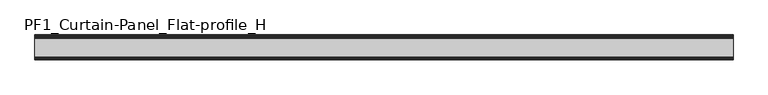
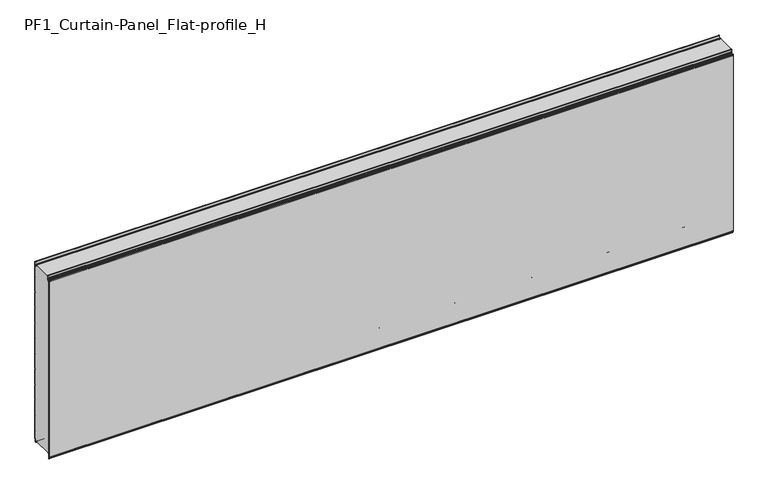
"""IFC4 building model written with IfcOpenShell, lengths in millimetres: plate geometry, PF1_Curtain-Panel_Flat-profile_H."""

from ifc_helpers import new_model, si_unit, point, frame, frame_2d, origin, place, context, project, spatial, polyline, circle_curve, trimmed, segment, composite_curve, outline, extrude, source, transform, mapped, element, save


def pf1_curtain_panel_flat_profile_h_aee8d039(model_context):
    return source(origin(), model_context, "Body", "SweptSolid", [
        extrude(outline(composite_curve([segment(polyline([(-15.878557, 0.0), (-20.0, 0.0), (-20.0, 0.8), (-15.878557, 0.8)]), True, "CONTINUOUS"), segment(trimmed(circle_curve(frame_2d((-15.878557, -2.0)), 2.8), [point((-15.878557, 0.8))], [point((-13.1503208, -1.370137))], False, "CARTESIAN"), True, "CONTINUOUS"), segment(polyline([(-13.1503208, -1.370137), (-11.728236, -7.529863)]), True, "CONTINUOUS"), segment(trimmed(circle_curve(frame_2d((-9.0, -6.9)), 2.8), [point((-11.728236, -7.529863))], [point((-6.2, -6.9))], True, "CARTESIAN"), True, "CONTINUOUS"), segment(polyline([(-6.2, -6.9), (-6.2, 8.6)]), True, "CONTINUOUS"), segment(trimmed(circle_curve(frame_2d((-3.4, 8.6)), 2.8), [point((-6.2, 8.6))], [point((-3.4, 11.4))], False, "CARTESIAN"), True, "CONTINUOUS"), segment(polyline([(-3.4, 11.4), (-2.0, 11.4)]), True, "CONTINUOUS"), segment(trimmed(circle_curve(frame_2d((-2.0, 12.6)), 1.2), [point((-2.0, 11.4))], [point((-0.8, 12.6))], True, "CARTESIAN"), True, "CONTINUOUS"), segment(polyline([(-0.8, 12.6), (-0.8, 57.6856412), (-2.482606, 60.6), (-0.8, 63.5143588), (-0.8, 157.6856412), (-2.482606, 160.6), (-0.8, 163.5143588), (-0.8, 257.6856412), (-2.482606, 260.6), (-0.8, 263.5143588), (-0.8, 357.6856412), (-2.482606, 360.6), (-0.8, 363.5143588), (-0.8, 457.6856412), (-2.482606, 460.6), (-0.8, 463.5143588), (-0.8, 557.6856412), (-2.482606, 560.6), (-0.8, 563.5143588), (-0.8, 657.6856412), (-2.482606, 660.6), (-0.8, 663.5143588), (-0.8, 757.6856412), (-2.482606, 760.6), (-0.8, 763.5143588), (-0.8, 857.6856412), (-2.482606, 860.6), (-0.8, 863.5143588), (-0.8, 957.6856412), (-2.482606, 960.6), (-0.8, 963.5143588), (-0.8, 1057.6856412), (-2.482606, 1060.6), (-0.8, 1063.5143588), (-0.8, 1158.268846)]), True, "CONTINUOUS"), segment(trimmed(circle_curve(frame_2d((-2.5, 1158.268846)), 1.7), [point((-0.8, 1158.268846))], [point((-4.2, 1158.268846))], True, "CARTESIAN"), True, "CONTINUOUS"), segment(polyline([(-4.2, 1158.268846), (-4.2, 1141.268846)]), True, "CONTINUOUS"), segment(trimmed(circle_curve(frame_2d((-9.0, 1141.268846)), 4.8), [point((-4.2, 1141.268846))], [point((-13.7270771, 1140.4353344))], False, "CARTESIAN"), True, "CONTINUOUS"), segment(polyline([(-13.7270771, 1140.4353344), (-14.8636953, 1146.8814129)]), True, "CONTINUOUS"), segment(trimmed(circle_curve(frame_2d((-16.6363492, 1146.568846)), 1.8), [point((-14.8636953, 1146.8814129))], [point((-16.6363492, 1148.368846))], True, "CARTESIAN"), True, "CONTINUOUS"), segment(polyline([(-16.6363492, 1148.368846), (-20.0, 1148.368846), (-20.0, 1149.168846), (-16.6363492, 1149.168846)]), True, "CONTINUOUS"), segment(trimmed(circle_curve(frame_2d((-16.6363492, 1146.568846)), 2.6), [point((-16.6363492, 1149.168846))], [point((-14.0758491, 1147.0203315))], False, "CARTESIAN"), True, "CONTINUOUS"), segment(polyline([(-14.0758491, 1147.0203315), (-12.939231, 1140.574253)]), True, "CONTINUOUS"), segment(trimmed(circle_curve(frame_2d((-9.0, 1141.268846)), 4.0), [point((-12.939231, 1140.574253))], [point((-5.0, 1141.268846))], True, "CARTESIAN"), True, "CONTINUOUS"), segment(polyline([(-5.0, 1141.268846), (-5.0, 1158.268846)]), True, "CONTINUOUS"), segment(trimmed(circle_curve(frame_2d((-2.5, 1158.268846)), 2.5), [point((-5.0, 1158.268846))], [point((0.0, 1158.268846))], False, "CARTESIAN"), True, "CONTINUOUS"), segment(polyline([(0.0, 1158.268846), (0.0, 1063.2999995), (-1.5588455, 1060.6), (0.0, 1057.9000005), (0.0, 963.2999995), (-1.5588455, 960.6), (0.0, 957.9000005), (0.0, 863.2999995), (-1.5588455, 860.6), (0.0, 857.9000005), (0.0, 763.2999995), (-1.5588455, 760.6), (0.0, 757.9000005), (0.0, 663.2999995), (-1.5588455, 660.6), (0.0, 657.9000005), (0.0, 563.2999995), (-1.5588455, 560.6), (0.0, 557.9000005), (0.0, 463.2999995), (-1.5588455, 460.6), (0.0, 457.9000005), (0.0, 363.2999995), (-1.5588455, 360.6), (0.0, 357.9000005), (0.0, 263.2999995), (-1.5588455, 260.6), (0.0, 257.9000005), (0.0, 163.2999995), (-1.5588455, 160.6), (0.0, 157.9000005), (0.0, 63.2999995), (-1.5588455, 60.6), (0.0, 57.9000005), (0.0, 12.6)]), True, "CONTINUOUS"), segment(trimmed(circle_curve(frame_2d((-2.0, 12.6)), 2.0), [point((0.0, 12.6))], [point((-2.0, 10.6))], False, "CARTESIAN"), True, "CONTINUOUS"), segment(polyline([(-2.0, 10.6), (-3.4, 10.6)]), True, "CONTINUOUS"), segment(trimmed(circle_curve(frame_2d((-3.4, 8.6)), 2.0), [point((-3.4, 10.6))], [point((-5.4, 8.6))], True, "CARTESIAN"), True, "CONTINUOUS"), segment(polyline([(-5.4, 8.6), (-5.4, -6.9)]), True, "CONTINUOUS"), segment(trimmed(circle_curve(frame_2d((-9.0, -6.9)), 3.6), [point((-5.4, -6.9))], [point((-12.5077322, -7.7098239))], False, "CARTESIAN"), True, "CONTINUOUS"), segment(polyline([(-12.5077322, -7.7098239), (-13.929817, -1.5500979)]), True, "CONTINUOUS"), segment(trimmed(circle_curve(frame_2d((-15.878557, -2.0)), 2.0), [point((-13.929817, -1.5500979))], [point((-15.878557, 0.0))], True, "CARTESIAN"), True, "CONTINUOUS")], self_intersect=False)), frame((-2100.0, 0.0, 0.0), z_axis=(1.0, 0.0, 0.0), x_axis=(0.0, 1.0, 0.0)), (0.0, 0.0, 1.0), 4200.0),
        extrude(outline(composite_curve([segment(polyline([(-140.0, 0.0), (-143.5, 0.0)]), True, "CONTINUOUS"), segment(trimmed(circle_curve(frame_2d((-143.5, -2.0)), 2.0), [point((-143.5, 0.0))], [point((-145.5, -2.0))], True, "CARTESIAN"), True, "CONTINUOUS"), segment(polyline([(-145.5, -2.0), (-145.5, -33.0)]), True, "CONTINUOUS"), segment(trimmed(circle_curve(frame_2d((-146.5, -33.0)), 1.0), [point((-145.5, -33.0))], [point((-147.5, -33.0))], False, "CARTESIAN"), True, "CONTINUOUS"), segment(polyline([(-147.5, -33.0), (-147.5, -26.9)]), True, "CONTINUOUS"), segment(trimmed(circle_curve(frame_2d((-148.4, -26.9)), 0.9), [point((-147.5, -26.9))], [point((-148.4, -26.0))], True, "CARTESIAN"), True, "CONTINUOUS"), segment(trimmed(circle_curve(frame_2d((-148.4, -24.4)), 1.6), [point((-148.4, -26.0))], [point((-150.0, -24.4))], False, "CARTESIAN"), True, "CONTINUOUS"), segment(polyline([(-150.0, -24.4), (-150.0, 1123.168846)]), True, "CONTINUOUS"), segment(trimmed(circle_curve(frame_2d((-149.0, 1123.168846)), 1.0), [point((-150.0, 1123.168846))], [point((-148.0, 1123.168846))], False, "CARTESIAN"), True, "CONTINUOUS"), segment(polyline([(-148.0, 1123.168846), (-148.0, 1117.168846)]), True, "CONTINUOUS"), segment(trimmed(circle_curve(frame_2d((-146.5, 1117.168846)), 1.5), [point((-148.0, 1117.168846))], [point((-145.0, 1117.168846))], True, "CARTESIAN"), True, "CONTINUOUS"), segment(polyline([(-145.0, 1117.168846), (-145.0, 1117.9964664)]), True, "CONTINUOUS"), segment(trimmed(circle_curve(frame_2d((-138.8276204, 1117.9964664)), 6.1723796), [point((-145.0, 1117.9964664))], [point((-138.8276204, 1124.168846))], False, "CARTESIAN"), True, "CONTINUOUS"), segment(polyline([(-138.8276204, 1124.168846), (-138.0, 1124.168846)]), True, "CONTINUOUS"), segment(trimmed(circle_curve(frame_2d((-138.0, 1125.168846)), 1.0), [point((-138.0, 1124.168846))], [point((-137.0, 1125.168846))], True, "CARTESIAN"), True, "CONTINUOUS"), segment(polyline([(-137.0, 1125.168846), (-137.0, 1131.6688472), (-135.4999999, 1133.168846), (-137.0, 1134.6688448), (-137.0, 1146.568846)]), True, "CONTINUOUS"), segment(trimmed(circle_curve(frame_2d((-134.4, 1146.568846)), 2.6), [point((-137.0, 1146.568846))], [point((-134.4, 1149.168846))], False, "CARTESIAN"), True, "CONTINUOUS"), segment(polyline([(-134.4, 1149.168846), (-133.0, 1149.168846), (-133.0, 1148.368846), (-134.4, 1148.368846)]), True, "CONTINUOUS"), segment(trimmed(circle_curve(frame_2d((-134.4, 1146.568846)), 1.8), [point((-134.4, 1148.368846))], [point((-136.2, 1146.568846))], True, "CARTESIAN"), True, "CONTINUOUS"), segment(polyline([(-136.2, 1146.568846), (-136.2, 1135.0002158), (-134.3686285, 1133.168846), (-136.2, 1131.3374762), (-136.2, 1125.168846)]), True, "CONTINUOUS"), segment(trimmed(circle_curve(frame_2d((-138.0, 1125.168846)), 1.8), [point((-136.2, 1125.168846))], [point((-138.0, 1123.368846))], False, "CARTESIAN"), True, "CONTINUOUS"), segment(polyline([(-138.0, 1123.368846), (-138.8276204, 1123.368846)]), True, "CONTINUOUS"), segment(trimmed(circle_curve(frame_2d((-138.8276204, 1117.9964664)), 5.3723796), [point((-138.8276204, 1123.368846))], [point((-144.2, 1117.9964664))], True, "CARTESIAN"), True, "CONTINUOUS"), segment(polyline([(-144.2, 1117.9964664), (-144.2, 1117.168846)]), True, "CONTINUOUS"), segment(trimmed(circle_curve(frame_2d((-146.4, 1117.168846)), 2.2), [point((-144.2, 1117.168846))], [point((-148.6, 1117.168846))], False, "CARTESIAN"), True, "CONTINUOUS"), segment(polyline([(-148.6, 1117.168846), (-148.6, 1123.0579973)]), True, "CONTINUOUS"), segment(trimmed(circle_curve(frame_2d((-148.9, 1123.0579973)), 0.3), [point((-148.6, 1123.0579973))], [point((-149.2, 1123.0579973))], True, "CARTESIAN"), True, "CONTINUOUS"), segment(polyline([(-149.2, 1123.0579973), (-149.2, -24.4)]), True, "CONTINUOUS"), segment(trimmed(circle_curve(frame_2d((-148.4, -24.4)), 0.8), [point((-149.2, -24.4))], [point((-148.4, -25.2))], True, "CARTESIAN"), True, "CONTINUOUS"), segment(trimmed(circle_curve(frame_2d((-148.6133333, -26.9)), 1.7133333), [point((-148.4, -25.2))], [point((-146.9, -26.9))], False, "CARTESIAN"), True, "CONTINUOUS"), segment(polyline([(-146.9, -26.9), (-146.9, -32.8700312)]), True, "CONTINUOUS"), segment(trimmed(circle_curve(frame_2d((-146.6, -32.8700312)), 0.3), [point((-146.9, -32.8700312))], [point((-146.3, -32.8700312))], True, "CARTESIAN"), True, "CONTINUOUS"), segment(polyline([(-146.3, -32.8700312), (-146.3, -2.0)]), True, "CONTINUOUS"), segment(trimmed(circle_curve(frame_2d((-143.5, -2.0)), 2.8), [point((-146.3, -2.0))], [point((-143.5, 0.8))], False, "CARTESIAN"), True, "CONTINUOUS"), segment(polyline([(-143.5, 0.8), (-140.0, 0.8), (-140.0, 0.0)]), True, "CONTINUOUS")], self_intersect=False)), frame((-2100.0, 0.0, 0.0), z_axis=(1.0, 0.0, 0.0), x_axis=(0.0, 1.0, 0.0)), (0.0, 0.0, 1.0), 4200.0),
        extrude(outline(composite_curve([segment(polyline([(-140.0, 0.8), (-143.5, 0.8)]), True, "CONTINUOUS"), segment(trimmed(circle_curve(frame_2d((-143.5, -2.0)), 2.8), [point((-143.5, 0.8))], [point((-146.3, -2.0))], True, "CARTESIAN"), True, "CONTINUOUS"), segment(polyline([(-146.3, -2.0), (-146.3, -32.8700312)]), True, "CONTINUOUS"), segment(trimmed(circle_curve(frame_2d((-146.6, -32.8700312)), 0.3), [point((-146.3, -32.8700312))], [point((-146.9, -32.8700312))], False, "CARTESIAN"), True, "CONTINUOUS"), segment(polyline([(-146.9, -32.8700312), (-146.9, -26.9)]), True, "CONTINUOUS"), segment(trimmed(circle_curve(frame_2d((-148.6133333, -26.9)), 1.7133333), [point((-146.9, -26.9))], [point((-148.4, -25.2))], True, "CARTESIAN"), True, "CONTINUOUS"), segment(trimmed(circle_curve(frame_2d((-148.4, -24.4)), 0.8), [point((-148.4, -25.2))], [point((-149.2, -24.4))], False, "CARTESIAN"), True, "CONTINUOUS"), segment(polyline([(-149.2, -24.4), (-149.2, 1123.0579973)]), True, "CONTINUOUS"), segment(trimmed(circle_curve(frame_2d((-148.9, 1123.0579973)), 0.3), [point((-149.2, 1123.0579973))], [point((-148.6, 1123.0579973))], False, "CARTESIAN"), True, "CONTINUOUS"), segment(polyline([(-148.6, 1123.0579973), (-148.6, 1117.168846)]), True, "CONTINUOUS"), segment(trimmed(circle_curve(frame_2d((-146.4, 1117.168846)), 2.2), [point((-148.6, 1117.168846))], [point((-144.2, 1117.168846))], True, "CARTESIAN"), True, "CONTINUOUS"), segment(polyline([(-144.2, 1117.168846), (-144.2, 1117.9964664)]), True, "CONTINUOUS"), segment(trimmed(circle_curve(frame_2d((-138.8276204, 1117.9964664)), 5.3723796), [point((-144.2, 1117.9964664))], [point((-138.8276204, 1123.368846))], False, "CARTESIAN"), True, "CONTINUOUS"), segment(polyline([(-138.8276204, 1123.368846), (-138.0, 1123.368846)]), True, "CONTINUOUS"), segment(trimmed(circle_curve(frame_2d((-138.0, 1125.168846)), 1.8), [point((-138.0, 1123.368846))], [point((-136.2, 1125.168846))], True, "CARTESIAN"), True, "CONTINUOUS"), segment(polyline([(-136.2, 1125.168846), (-136.2, 1131.3374762), (-134.3686285, 1133.168846), (-136.2, 1135.0002158), (-136.2, 1146.568846)]), True, "CONTINUOUS"), segment(trimmed(circle_curve(frame_2d((-134.4, 1146.568846)), 1.8), [point((-136.2, 1146.568846))], [point((-134.4, 1148.368846))], False, "CARTESIAN"), True, "CONTINUOUS"), segment(polyline([(-134.4, 1148.368846), (-133.0, 1148.368846), (-133.0, 1149.168846), (-20.0, 1149.168846), (-20.0, 1148.368846), (-16.6363492, 1148.368846)]), True, "CONTINUOUS"), segment(trimmed(circle_curve(frame_2d((-16.6363492, 1146.568846)), 1.8), [point((-16.6363492, 1148.368846))], [point((-14.8636953, 1146.8814129))], False, "CARTESIAN"), True, "CONTINUOUS"), segment(polyline([(-14.8636953, 1146.8814129), (-13.7270772, 1140.4353344)]), True, "CONTINUOUS"), segment(trimmed(circle_curve(frame_2d((-9.0, 1141.268846)), 4.8), [point((-13.7270772, 1140.4353344))], [point((-4.2, 1141.268846))], True, "CARTESIAN"), True, "CONTINUOUS"), segment(polyline([(-4.2, 1141.268846), (-4.2, 1158.268846)]), True, "CONTINUOUS"), segment(trimmed(circle_curve(frame_2d((-2.5, 1158.268846)), 1.7), [point((-4.2, 1158.268846))], [point((-0.8, 1158.268846))], False, "CARTESIAN"), True, "CONTINUOUS"), segment(polyline([(-0.8, 1158.268846), (-0.8, 1063.5143588), (-2.482606, 1060.6), (-0.8, 1057.6856412), (-0.8, 963.5143588), (-2.482606, 960.6), (-0.8, 957.6856412), (-0.8, 863.5143588), (-2.482606, 860.6), (-0.8, 857.6856412), (-0.8, 763.5143588), (-2.482606, 760.6), (-0.8, 757.6856412), (-0.8, 663.5143588), (-2.482606, 660.6), (-0.8, 657.6856412), (-0.8, 563.5143588), (-2.482606, 560.6), (-0.8, 557.6856412), (-0.8, 463.5143588), (-2.482606, 460.6), (-0.8, 457.6856412), (-0.8, 363.5143588), (-2.482606, 360.6), (-0.8, 357.6856412), (-0.8, 263.5143588), (-2.482606, 260.6), (-0.8, 257.6856412), (-0.8, 163.5143588), (-2.482606, 160.6), (-0.8, 157.6856412), (-0.8, 63.5143588), (-2.482606, 60.6), (-0.8, 57.6856412), (-0.8, 12.6)]), True, "CONTINUOUS"), segment(trimmed(circle_curve(frame_2d((-2.0, 12.6)), 1.2), [point((-0.8, 12.6))], [point((-2.0, 11.4))], False, "CARTESIAN"), True, "CONTINUOUS"), segment(polyline([(-2.0, 11.4), (-3.4, 11.4)]), True, "CONTINUOUS"), segment(trimmed(circle_curve(frame_2d((-3.4, 8.6)), 2.8), [point((-3.4, 11.4))], [point((-6.2, 8.6))], True, "CARTESIAN"), True, "CONTINUOUS"), segment(polyline([(-6.2, 8.6), (-6.2, -6.9)]), True, "CONTINUOUS"), segment(trimmed(circle_curve(frame_2d((-9.0, -6.9)), 2.8), [point((-6.2, -6.9))], [point((-11.7282362, -7.529863))], False, "CARTESIAN"), True, "CONTINUOUS"), segment(polyline([(-11.7282362, -7.529863), (-13.1503208, -1.370137)]), True, "CONTINUOUS"), segment(trimmed(circle_curve(frame_2d((-15.878557, -2.0)), 2.8), [point((-13.1503208, -1.370137))], [point((-15.878557, 0.8))], True, "CARTESIAN"), True, "CONTINUOUS"), segment(polyline([(-15.878557, 0.8), (-20.0, 0.8), (-20.0, 0.0), (-140.0, 0.0), (-140.0, 0.8)]), True, "CONTINUOUS")], self_intersect=False)), frame((-2100.0, 0.0, 0.0), z_axis=(1.0, 0.0, 0.0), x_axis=(0.0, 1.0, 0.0)), (0.0, 0.0, 1.0), 4200.0),
    ])


if __name__ == "__main__":
    model = new_model("IFC4")
    model_context = context("Model", 3, world=origin())
    ifc_project = project(units=[si_unit("LENGTHUNIT", "METRE", prefix="MILLI")], contexts=[model_context])
    site = spatial("IfcSite", under=ifc_project)
    building = spatial("IfcBuilding", under=site)
    placement = place(None, origin())
    pf1_curtain_panel_flat_profile_h_shape = pf1_curtain_panel_flat_profile_h_aee8d039(model_context)
    element("IfcPlate", 1, ObjectType="PF1_Curtain-Panel_Flat-profile_H", at=placement, inside=building, context=model_context, shape_type="MappedRepresentation", body=[
        mapped(pf1_curtain_panel_flat_profile_h_shape, transform((0.0, 0.0, 0.0), x_axis=(1.0, 0.0, 0.0), y_axis=(0.0, 1.0, 0.0), z_axis=(0.0, 0.0, 1.0))),
    ])
    save(model, "model.ifc")
